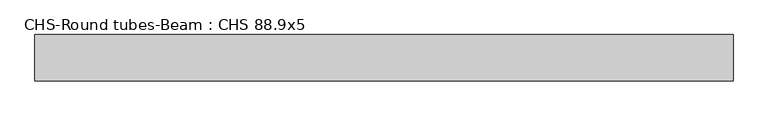
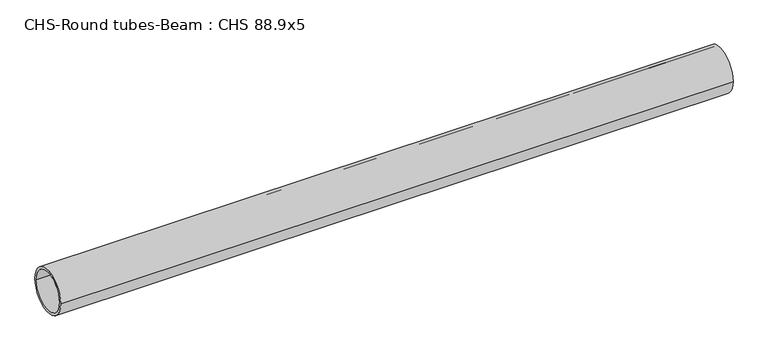
"""IFC4 building model written with IfcOpenShell, lengths in millimetres: beam geometry, CHS-Round tubes-Beam : CHS 88.9x5."""

from ifc_helpers import new_model, si_unit, point, frame, origin, origin_2d, place, context, project, spatial, circle_curve, trimmed, segment, composite_curve, outline, extrude, source, transform, mapped, element, save


def chs_round_tubes_beam_chs_88_9x5_701b49f2(model_context):
    return source(origin(), model_context, "Body", "SweptSolid", [
        extrude(outline(composite_curve([segment(trimmed(circle_curve(origin_2d(), 44.45), [point((44.45, 0.0))], [point((-44.45, 0.0))], False, "CARTESIAN"), True, "CONTINUOUS"), segment(trimmed(circle_curve(origin_2d(), 44.45), [point((-44.45, 0.0))], [point((44.45, 0.0))], False, "CARTESIAN"), True, "CONTINUOUS")], self_intersect=False), holes=[composite_curve([segment(trimmed(circle_curve(origin_2d(), 39.45), [point((39.45, 0.0))], [point((-39.45, 0.0))], True, "CARTESIAN"), True, "CONTINUOUS"), segment(trimmed(circle_curve(origin_2d(), 39.45), [point((-39.45, 0.0))], [point((39.45, 0.0))], True, "CARTESIAN"), True, "CONTINUOUS")], self_intersect=False)]), frame((-669.0517622, 0.0, 0.0), z_axis=(1.0, 0.0, 0.0), x_axis=(0.0, 1.0, 0.0)), (0.0, 0.0, 1.0), 1338.1035245),
    ])


if __name__ == "__main__":
    model = new_model("IFC4")
    model_context = context("Model", 3, world=origin())
    ifc_project = project(units=[si_unit("LENGTHUNIT", "METRE", prefix="MILLI")], contexts=[model_context])
    site = spatial("IfcSite", under=ifc_project)
    building = spatial("IfcBuilding", under=site)
    placement = place(None, origin())
    chs_round_tubes_beam_chs_88_9x5_shape = chs_round_tubes_beam_chs_88_9x5_701b49f2(model_context)
    element("IfcBeam", 1, ObjectType="CHS-Round tubes-Beam : CHS 88.9x5", at=placement, inside=building, context=model_context, shape_type="MappedRepresentation", body=[
        mapped(chs_round_tubes_beam_chs_88_9x5_shape, transform((0.0, 0.0, 0.0), x_axis=(1.0, 0.0, 0.0), y_axis=(0.0, 1.0, 0.0), z_axis=(0.0, 0.0, 1.0))),
    ])
    save(model, "model.ifc")
